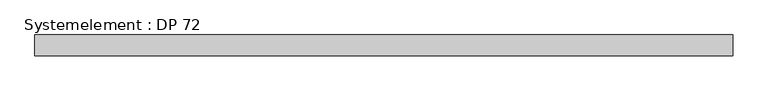
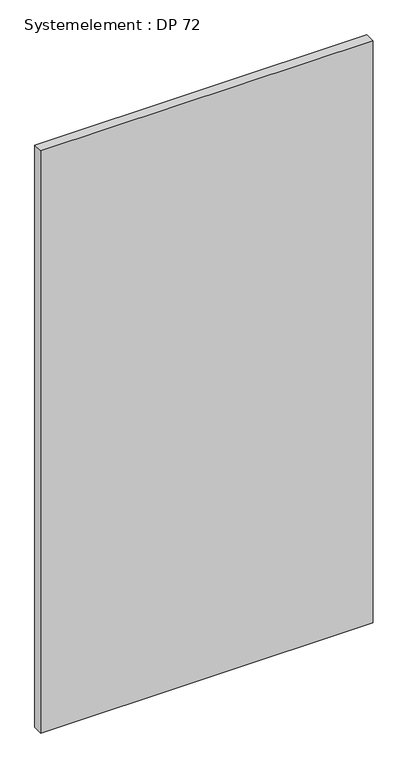
"""IFC4 building model written with IfcOpenShell, lengths in millimetres: plate geometry, Systemelement : DP 72."""

from ifc_helpers import new_model, si_unit, origin, origin_with_axes, place, context, project, spatial, polyline, outline, extrude, source, transform, mapped, element, save


def systemelement_dp_72_4d190da3(model_context):
    return source(origin(), model_context, "Body", "SweptSolid", [
        extrude(outline(polyline([(500.0, -30.0), (-500.0, -30.0), (-500.0, 0.0), (500.0, 0.0), (500.0, -30.0)])), origin_with_axes(), (0.0, 0.0, 1.0), 1851.6147161),
    ])


if __name__ == "__main__":
    model = new_model("IFC4")
    model_context = context("Model", 3, world=origin())
    ifc_project = project(units=[si_unit("LENGTHUNIT", "METRE", prefix="MILLI")], contexts=[model_context])
    site = spatial("IfcSite", under=ifc_project)
    building = spatial("IfcBuilding", under=site)
    placement = place(None, origin())
    systemelement_dp_72_shape = systemelement_dp_72_4d190da3(model_context)
    element("IfcPlate", 1, ObjectType="Systemelement : DP 72", at=placement, inside=building, context=model_context, shape_type="MappedRepresentation", body=[
        mapped(systemelement_dp_72_shape, transform((0.0, 0.0, 0.0), x_axis=(1.0, 0.0, 0.0), y_axis=(0.0, 1.0, 0.0), z_axis=(0.0, 0.0, 1.0))),
    ])
    save(model, "model.ifc")
